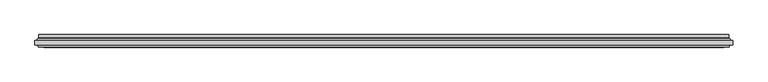
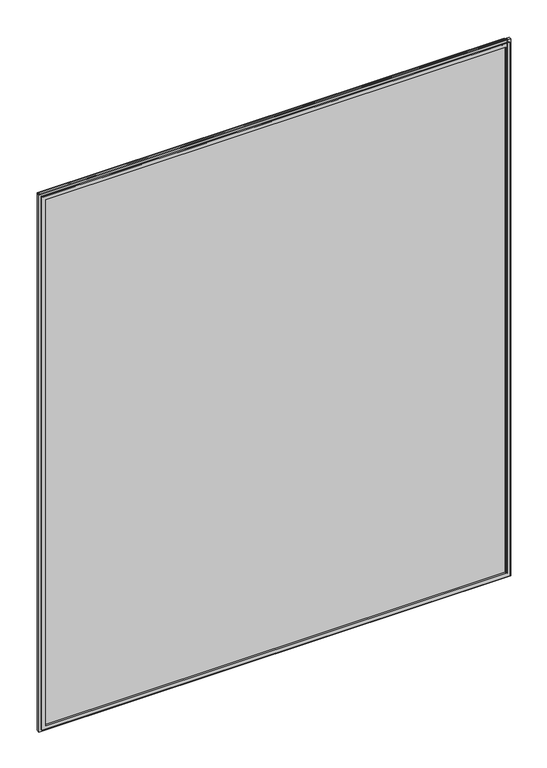
"""IFC4 building model written with IfcOpenShell, lengths in millimetres: plate geometry."""

from ifc_helpers import new_model, si_unit, frame, origin, place, context, project, spatial, polyline, ellipse_curve, outline, extrude, source, transform, mapped, element, save
from ifc_brep_helpers import plane_surface, cylinder_surface, revolved_surface, advanced_brep


def plate_6b589d64(model_context):
    return source(origin(), model_context, "Body", "SolidModel", [
        advanced_brep(
        [(-600.0000001, 4.8968153, 19.5), (600.0000001, 4.8968153, 19.5), (600.0000001, 11.0, 19.5), (-600.0000001, 11.0, 19.5), (600.0000001, 4.8968153, 1469.5000002), (600.0000001, 11.0, 1469.5000002), (-600.0000001, 4.8968153, 1469.5000002), (-600.0000001, 11.0, 1469.5000002), (-610.1737948, 1.0, 9.3262053), (610.1737948, 1.0, 9.3262053), (610.1737948, 1.0, 1479.6737949), (-610.1737948, 1.0, 1479.6737949), (599.7225564, 1.0, 19.7774437), (-599.7225564, 1.0, 19.7774437), (-599.7225564, 1.0, 1469.2225565), (599.7225564, 1.0, 1469.2225565), (609.0000001, 11.0, 10.5), (-609.0000001, 11.0, 10.5), (-609.0000001, 11.0, 1478.5000002), (609.0000001, 11.0, 1478.5000002), (609.0000001, 5.9174454, 10.5), (-609.0000001, 5.9174454, 10.5), (609.0000001, 5.9174454, 1478.5000002), (-609.0000001, 5.9174454, 1478.5000002), (-599.0765978, 3.2113072, 20.4234023), (599.0765978, 3.2113072, 20.4234023), (-610.5737753, 3.96339, 8.9262248), (610.5737753, 3.96339, 8.9262248), (599.0765978, 3.2113072, 1468.5765979), (610.5737753, 3.96339, 1480.0737755), (-599.0765978, 3.2113072, 1468.5765979), (-610.5737753, 3.96339, 1480.0737755)],
        [
            (0, 1),
            (1, 2),
            (2, 3),
            (3, 0),
            (1, 4),
            (4, 5),
            (5, 2),
            (4, 6),
            (6, 7),
            (7, 5),
            (8, 9),
            (9, 10),
            (10, 11),
            (11, 8),
            (12, 13),
            (13, 14),
            (14, 15),
            (15, 12),
            (16, 17),
            (17, 18),
            (18, 19),
            (19, 16),
            (7, 3),
            (6, 0),
            (16, 20),
            (20, 21),
            (21, 17),
            (19, 22),
            (22, 20),
            (18, 23),
            (23, 22),
            (21, 23),
            (24, 25),
            (25, 1, ellipse_curve(frame((598.0000001, 4.8968153, 21.5), z_axis=(0.7071067811865475, 0.0, 0.7071067811865475), x_axis=(0.7071067811865476, 0.0, -0.7071067811865474)), 2.8284271, 2.0)),
            (0, 24, ellipse_curve(frame((-598.0000001, 4.8968153, 21.5), z_axis=(-0.7071067811865475, 0.0, 0.7071067811865475), x_axis=(0.7071067811865476, 0.0, 0.7071067811865474)), 2.8284271, 2.0)),
            (12, 25, ellipse_curve(frame((599.7225564, 2.2000024, 19.7774437), z_axis=(-0.7071067811865475, 0.0, -0.7071067811865475), x_axis=(-0.7071067811865476, 0.0, 0.7071067811865474)), 1.6970563, 1.2)),
            (24, 13, ellipse_curve(frame((-599.7225564, 2.2000024, 19.7774437), z_axis=(0.7071067811865475, 0.0, -0.7071067811865475), x_axis=(-0.7071067811865476, 0.0, -0.7071067811865474)), 1.6970563, 1.2)),
            (26, 27),
            (27, 9, ellipse_curve(frame((610.2541068, 2.4978485, 9.2458934), z_axis=(-0.7071067811865475, 0.0, -0.7071067811865475), x_axis=(-0.7071067811865476, 0.0, 0.7071067811865474)), 2.1213203, 1.5)),
            (8, 26, ellipse_curve(frame((-610.2541068, 2.4978485, 9.2458934), z_axis=(0.7071067811865475, 0.0, -0.7071067811865475), x_axis=(-0.7071067811865476, 0.0, -0.7071067811865474)), 2.1213203, 1.5)),
            (20, 27, ellipse_curve(frame((611.0000001, 5.9174454, 8.5), z_axis=(0.7071067811865475, 0.0, 0.7071067811865475), x_axis=(0.7071067811865476, 0.0, -0.7071067811865474)), 2.8284271, 2.0)),
            (26, 21, ellipse_curve(frame((-611.0000001, 5.9174454, 8.5), z_axis=(-0.7071067811865475, 0.0, 0.7071067811865475), x_axis=(0.7071067811865476, 0.0, 0.7071067811865474)), 2.8284271, 2.0)),
            (25, 28),
            (28, 4, ellipse_curve(frame((598.0000001, 4.8968153, 1467.5000002), z_axis=(-0.7071067811865475, 0.0, 0.7071067811865475), x_axis=(0.7071067811865474, 0.0, 0.7071067811865476)), 2.8284271, 2.0)),
            (15, 28, ellipse_curve(frame((599.7225564, 2.2000024, 1469.2225565), z_axis=(0.7071067811865475, 0.0, -0.7071067811865475), x_axis=(-0.7071067811865474, 0.0, -0.7071067811865476)), 1.6970563, 1.2)),
            (27, 29),
            (29, 10, ellipse_curve(frame((610.2541068, 2.4978485, 1479.7541069), z_axis=(0.7071067811865475, 0.0, -0.7071067811865475), x_axis=(-0.7071067811865474, 0.0, -0.7071067811865476)), 2.1213203, 1.5)),
            (22, 29, ellipse_curve(frame((611.0000001, 5.9174454, 1480.5000002), z_axis=(-0.7071067811865475, 0.0, 0.7071067811865475), x_axis=(0.7071067811865474, 0.0, 0.7071067811865476)), 2.8284271, 2.0)),
            (28, 30),
            (30, 6, ellipse_curve(frame((-598.0000001, 4.8968153, 1467.5000002), z_axis=(-0.7071067811865475, 0.0, -0.7071067811865475), x_axis=(-0.7071067811865476, 0.0, 0.7071067811865474)), 2.8284271, 2.0)),
            (14, 30, ellipse_curve(frame((-599.7225564, 2.2000024, 1469.2225565), z_axis=(0.7071067811865475, 0.0, 0.7071067811865475), x_axis=(0.7071067811865476, 0.0, -0.7071067811865474)), 1.6970563, 1.2)),
            (29, 31),
            (31, 11, ellipse_curve(frame((-610.2541068, 2.4978485, 1479.7541069), z_axis=(0.7071067811865475, 0.0, 0.7071067811865475), x_axis=(0.7071067811865476, 0.0, -0.7071067811865474)), 2.1213203, 1.5)),
            (23, 31, ellipse_curve(frame((-611.0000001, 5.9174454, 1480.5000002), z_axis=(-0.7071067811865475, 0.0, -0.7071067811865475), x_axis=(-0.7071067811865476, 0.0, 0.7071067811865474)), 2.8284271, 2.0)),
            (30, 24),
            (31, 26),
        ],
        [
            plane_surface(frame((-600.0000001, 11.0, 19.5), z_axis=(0.0, 0.0, 1.0), x_axis=(1.0, 0.0, 0.0))),
            plane_surface(frame((600.0000001, 11.0, 19.5), z_axis=(-1.0, 0.0, 0.0), x_axis=(0.0, 0.0, 1.0))),
            plane_surface(frame((600.0000001, 11.0, 1469.5000002), z_axis=(0.0, 0.0, -1.0), x_axis=(-1.0, 0.0, 0.0))),
            plane_surface(frame((-599.7225564, 1.0, 1469.2225565), z_axis=(0.0, -1.0, 0.0), x_axis=(0.0, 0.0, -1.0))),
            plane_surface(frame((-609.0000001, 11.0, 1478.5000002), z_axis=(0.0, 1.0, 0.0), x_axis=(0.0, 0.0, -1.0))),
            plane_surface(frame((-600.0000001, 11.0, 1469.5000002), z_axis=(1.0, 0.0, 0.0), x_axis=(0.0, 0.0, -1.0))),
            plane_surface(frame((-609.0000001, 5.9174454, 10.5), z_axis=(0.0, 0.0, -1.0), x_axis=(1.0, 0.0, 0.0))),
            plane_surface(frame((609.0000001, 5.9174454, 10.5), z_axis=(1.0, 0.0, 0.0), x_axis=(0.0, 0.0, 1.0))),
            plane_surface(frame((609.0000001, 5.9174454, 1478.5000002), z_axis=(0.0, 0.0, 1.0), x_axis=(-1.0, 0.0, 0.0))),
            plane_surface(frame((-609.0000001, 5.9174454, 1478.5000002), z_axis=(-1.0, 0.0, 0.0), x_axis=(0.0, 0.0, -1.0))),
            revolved_surface(polyline([(600.0000001, 2.8968153, 21.5), (-600.0000001, 2.8968153, 21.5)]), (-619.5000001, 4.8968153, 21.5), (1.0, 0.0, 0.0)),
            cylinder_surface(frame((-619.5000001, 2.2000024, 19.7774437), z_axis=(-1.0, 0.0, 0.0), x_axis=(0.0, -1.0, 0.0)), 1.2),
            cylinder_surface(frame((-619.5000001, 2.4978485, 9.2458934), z_axis=(-1.0, 0.0, 0.0), x_axis=(0.0, -1.0, 0.0)), 1.5),
            revolved_surface(polyline([(613.0000000825017, 3.9174454, 8.5), (-613.0000000825017, 3.9174454, 8.5)]), (-619.5000001, 5.9174454, 8.5), (1.0, 0.0, 0.0)),
            revolved_surface(polyline([(598.0000001, 2.8968153, 1469.5000002), (598.0000001, 2.8968153, 19.5)]), (598.0000001, 4.8968153, 0.0), (0.0, 0.0, 1.0)),
            cylinder_surface(frame((599.7225564, 2.2000024, 0.0), z_axis=(0.0, 0.0, -1.0), x_axis=(0.0, -1.0, 0.0)), 1.2),
            cylinder_surface(frame((610.2541068, 2.4978485, 0.0), z_axis=(0.0, 0.0, -1.0), x_axis=(0.0, -1.0, 0.0)), 1.5),
            revolved_surface(polyline([(611.0000001, 3.9174454, 1482.5000001825017), (611.0000001, 3.9174454, 6.500000017498199)]), (611.0000001, 5.9174454, 0.0), (0.0, 0.0, 1.0)),
            revolved_surface(polyline([(-600.0000001, 2.8968153, 1467.5000002), (600.0000001, 2.8968153, 1467.5000002)]), (619.5000001, 4.8968153, 1467.5000002), (-1.0, 0.0, 0.0)),
            cylinder_surface(frame((619.5000001, 2.2000024, 1469.2225565), z_axis=(1.0, 0.0, 0.0), x_axis=(0.0, -1.0, 0.0)), 1.2),
            cylinder_surface(frame((619.5000001, 2.4978485, 1479.7541069), z_axis=(1.0, 0.0, 0.0), x_axis=(0.0, -1.0, 0.0)), 1.5),
            revolved_surface(polyline([(-613.0000000825017, 3.9174454, 1480.5000002), (613.0000000825017, 3.9174454, 1480.5000002)]), (619.5000001, 5.9174454, 1480.5000002), (-1.0, 0.0, 0.0)),
            revolved_surface(polyline([(-598.0000001, 2.8968153, 19.5), (-598.0000001, 2.8968153, 1469.5000002)]), (-598.0000001, 4.8968153, 1489.0000002), (0.0, 0.0, -1.0)),
            cylinder_surface(frame((-599.7225564, 2.2000024, 1489.0000002), z_axis=(0.0, 0.0, 1.0), x_axis=(0.0, -1.0, 0.0)), 1.2),
            cylinder_surface(frame((-610.2541068, 2.4978485, 1489.0000002), z_axis=(0.0, 0.0, 1.0), x_axis=(0.0, -1.0, 0.0)), 1.5),
            revolved_surface(polyline([(-611.0000001, 3.9174454, 6.500000017498223), (-611.0000001, 3.9174454, 1482.5000001825017)]), (-611.0000001, 5.9174454, 1489.0000002), (0.0, 0.0, -1.0)),
        ],
        [
            (0, [[1, 2, 3, 4]]),
            (1, [[5, 6, 7, -2]]),
            (2, [[8, 9, 10, -6]]),
            (3, [[11, 12, 13, 14], [15, 16, 17, 18]]),
            (4, [[19, 20, 21, 22], [-3, -7, -10, 23]]),
            (5, [[24, -4, -23, -9]]),
            (6, [[-19, 25, 26, 27]]),
            (7, [[-22, 28, 29, -25]]),
            (8, [[-21, 30, 31, -28]]),
            (9, [[-20, -27, 32, -30]]),
            (10, [[33, 34, -1, 35]]),
            (11, [[-15, 36, -33, 37]]),
            (12, [[38, 39, -11, 40]]),
            (13, [[-26, 41, -38, 42]]),
            (14, [[43, 44, -5, -34]]),
            (15, [[-18, 45, -43, -36]]),
            (16, [[46, 47, -12, -39]]),
            (17, [[-29, 48, -46, -41]]),
            (18, [[49, 50, -8, -44]]),
            (19, [[-17, 51, -49, -45]]),
            (20, [[52, 53, -13, -47]]),
            (21, [[-31, 54, -52, -48]]),
            (22, [[55, -35, -24, -50]]),
            (23, [[-16, -37, -55, -51]]),
            (24, [[56, -40, -14, -53]]),
            (25, [[-32, -42, -56, -54]]),
        ],
    ),
        extrude(outline(polyline([(9.5, -610.0000001), (9.5, 610.0000001), (1479.5000002, 610.0000001), (1479.5000002, -610.0000001), (9.5, -610.0000001)]), holes=[polyline([(19.5, 600.0000001), (19.5, -600.0000001), (1469.5000002, -600.0000001), (1469.5000002, 600.0000001), (19.5, 600.0000001)])]), frame((0.0, -11.0, 0.0), z_axis=(0.0, 1.0, 0.0), x_axis=(0.0, 0.0, 1.0)), (0.0, 0.0, 1.0), 4.0),
        extrude(outline(polyline([(-615.5000001, -7.0), (-615.5000001, 1.0), (615.5000001, 1.0), (615.5000001, -7.0), (-615.5000001, -7.0)])), frame((0.0, 0.0, 4.0), z_axis=(0.0, 0.0, 1.0), x_axis=(1.0, 0.0, 0.0)), (0.0, 0.0, 1.0), 1481.0000002),
    ])


if __name__ == "__main__":
    model = new_model("IFC4")
    model_context = context("Model", 3, world=origin())
    ifc_project = project(units=[si_unit("LENGTHUNIT", "METRE", prefix="MILLI")], contexts=[model_context])
    site = spatial("IfcSite", under=ifc_project)
    building = spatial("IfcBuilding", under=site)
    placement = place(None, origin())
    plate_shape = plate_6b589d64(model_context)
    element("IfcPlate", 1, at=placement, inside=building, context=model_context, shape_type="MappedRepresentation", body=[
        mapped(plate_shape, transform((0.0, 0.0, 0.0), x_axis=(1.0, 0.0, 0.0), y_axis=(0.0, 1.0, 0.0), z_axis=(0.0, 0.0, 1.0))),
    ])
    save(model, "model.ifc")
